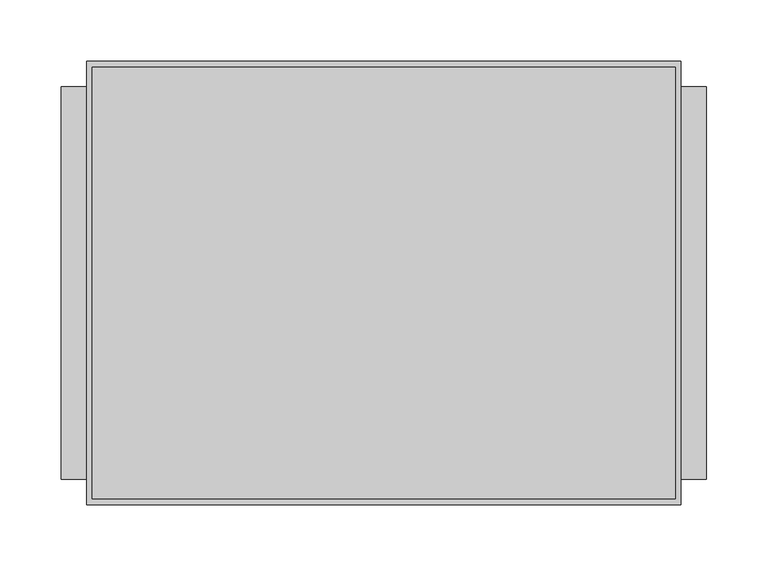
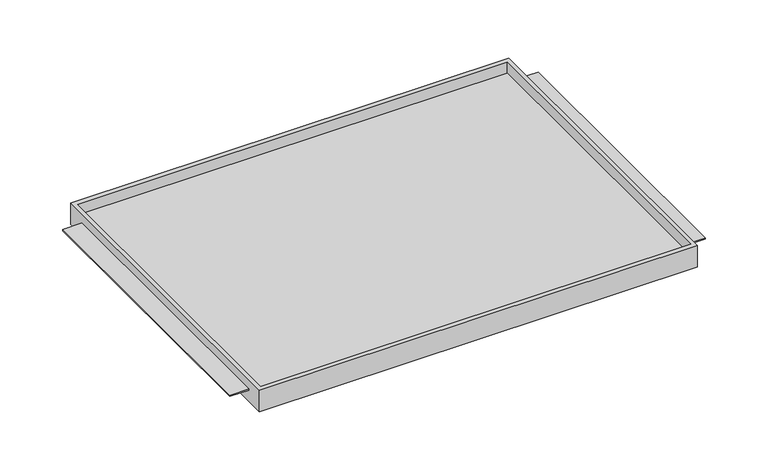
"""IFC4 building model written with IfcOpenShell, lengths in millimetres: furniture geometry."""

from ifc_helpers import new_model, si_unit, origin, place, context, project, spatial, faceted_brep, source, transform, mapped, element, save


def furniture_49acc5ac(model_context):
    return source(origin(), model_context, "Body", "Brep", [
        faceted_brep([(-242.7689646, -180.975, 1003.2111), (242.7689646, -180.975, 1003.2111), (242.7689646, -180.975, 1028.6111), (-242.7689646, -180.975, 1028.6111), (-242.7689646, 180.975, 1003.2111), (-242.7689646, 180.975, 1028.6111), (242.7689646, 180.975, 1028.6111), (242.7689646, 180.975, 1003.2111), (242.7689646, -160.3374879, 1017.5113), (242.7689646, 160.3374879, 1017.5113), (242.7689646, 160.3374879, 1015.9111), (242.7689646, -160.3374879, 1015.9111), (238.125, -176.2125, 1028.6111), (-238.125, -176.2125, 1028.6111), (-238.125, 175.91278, 1028.6111), (238.125, 175.91278, 1028.6111), (-242.7689646, 160.3374879, 1017.5113), (-242.7689646, -160.3374879, 1017.5113), (-242.7689646, -160.3374879, 1015.9111), (-242.7689646, 160.3374879, 1015.9111), (-238.125, -176.2125, 1015.9111), (238.125, -176.2125, 1015.9111), (238.125, 175.91278, 1015.9111), (-238.125, 175.91278, 1015.9111), (-263.525, 160.3374879, 1017.5113), (-263.525, -160.3374879, 1017.5113), (263.525, -160.3374879, 1017.5113), (263.525, 160.3374879, 1017.5113), (-263.525, -160.3374879, 1015.9111), (-263.525, 160.3374879, 1015.9111), (263.525, -160.3374879, 1015.9111), (263.525, 160.3374879, 1015.9111)], [[[0, 1, 2, 3]], [[4, 5, 6, 7]], [[1, 0, 4, 7]], [[2, 1, 7, 6], [8, 9, 10, 11]], [[3, 2, 6, 5], [12, 13, 14, 15]], [[0, 3, 5, 4], [16, 17, 18, 19]], [[20, 21, 22, 23]], [[21, 20, 13, 12]], [[22, 21, 12, 15]], [[23, 22, 15, 14]], [[20, 23, 14, 13]], [[16, 24, 25, 17]], [[26, 27, 9, 8]], [[18, 28, 29, 19]], [[30, 11, 10, 31]], [[24, 16, 19, 29]], [[25, 24, 29, 28]], [[17, 25, 28, 18]], [[27, 26, 30, 31]], [[9, 27, 31, 10]], [[26, 8, 11, 30]]]),
    ])


if __name__ == "__main__":
    model = new_model("IFC4")
    model_context = context("Model", 3, world=origin())
    ifc_project = project(units=[si_unit("LENGTHUNIT", "METRE", prefix="MILLI")], contexts=[model_context])
    site = spatial("IfcSite", under=ifc_project)
    building = spatial("IfcBuilding", under=site)
    placement = place(None, origin())
    furniture_shape = furniture_49acc5ac(model_context)
    element("IfcFurniture", 1, at=placement, inside=building, context=model_context, shape_type="MappedRepresentation", body=[
        mapped(furniture_shape, transform((0.0, 0.0, 0.0), x_axis=(1.0, 0.0, 0.0), y_axis=(0.0, 1.0, 0.0), z_axis=(0.0, 0.0, 1.0))),
    ])
    save(model, "model.ifc")
